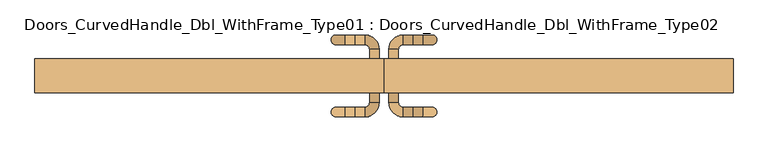
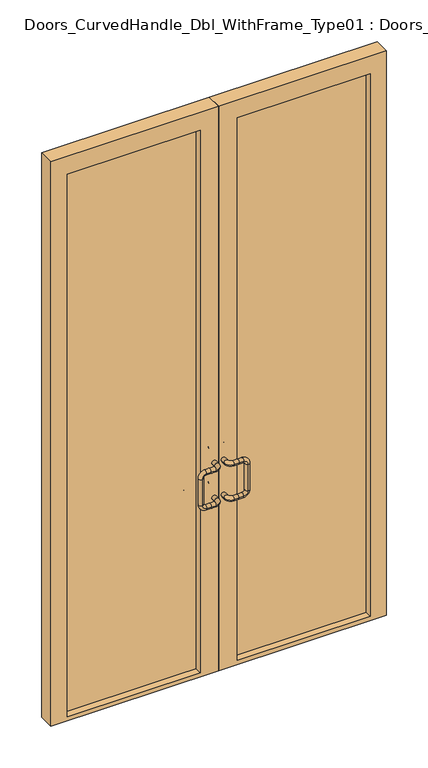
"""IFC4 building model written with IfcOpenShell, lengths in millimetres: door geometry, Doors_CurvedHandle_Dbl_WithFrame_Type01 : Doors_CurvedHandle_Dbl_WithFrame_Type02."""

from ifc_helpers import new_model, si_unit, point, frame, origin, place, context, project, spatial, polyline, circle_curve, ellipse_curve, trimmed, outline, extrude, source, transform, mapped, element, save
from ifc_brep_helpers import plane_surface, cylinder_surface, revolved_surface, advanced_brep


def doors_curvedhandle_dbl_withframe_type01_doors_curvedhandle_563f8bde(model_context):
    return source(origin(), model_context, "Body", "SolidModel", [
        advanced_brep(
        [(-38.1, 12.7, 1219.2), (-12.7, 12.7, 1219.2), (-12.7, 38.1, 1219.2), (-38.1, 38.1, 1219.2), (-50.8, 76.2, 1219.2), (-76.2, 76.2, 1219.2), (-76.2, 50.8, 1219.2), (-50.8, 50.8, 1219.2), (-101.6, 76.2, 1219.2), (-101.6, 50.8, 1219.2), (-127.0, 76.2, 1193.8), (-127.0, 50.8, 1193.8), (-127.0, 76.2, 1041.4), (-127.0, 50.8, 1041.4), (-101.6, 76.2, 1016.0), (-101.6, 50.8, 1016.0), (-76.2, 76.2, 1016.0), (-76.2, 50.8, 1016.0), (-38.1, 12.7, 1016.0), (-12.7, 12.7, 1016.0), (-12.7, 38.1, 1016.0), (-38.1, 38.1, 1016.0), (-50.8, 76.2, 1016.0), (-50.8, 50.8, 1016.0)],
        [
            (0, 1, circle_curve(frame((-25.4, 12.7, 1219.2), z_axis=(0.0, -1.0, 0.0), x_axis=(1.0, 0.0, 0.0)), 12.7)),
            (1, 0, circle_curve(frame((-25.4, 12.7, 1219.2), z_axis=(0.0, -1.0, 0.0), x_axis=(1.0, 0.0, 0.0)), 12.7)),
            (1, 2),
            (2, 3, circle_curve(frame((-25.4, 38.1, 1219.2), z_axis=(0.0, -1.0, 0.0), x_axis=(1.0, 0.0, 0.0)), 12.7)),
            (3, 0),
            (3, 2, circle_curve(frame((-25.4, 38.1, 1219.2), z_axis=(0.0, -1.0, 0.0), x_axis=(1.0, 0.0, 0.0)), 12.7)),
            (4, 5),
            (5, 6, circle_curve(frame((-76.2, 63.5, 1219.2), z_axis=(1.0, 0.0, 0.0), x_axis=(0.0, 1.0, 0.0)), 12.7)),
            (6, 7),
            (7, 4, circle_curve(frame((-50.8, 63.5, 1219.2), z_axis=(-1.0, 0.0, 0.0), x_axis=(0.0, 1.0, 0.0)), 12.7)),
            (6, 5, circle_curve(frame((-76.2, 63.5, 1219.2), z_axis=(1.0, 0.0, 0.0), x_axis=(0.0, 1.0, 0.0)), 12.7)),
            (4, 7, circle_curve(frame((-50.8, 63.5, 1219.2), z_axis=(-1.0, 0.0, 0.0), x_axis=(0.0, 1.0, 0.0)), 12.7)),
            (2, 4, circle_curve(frame((-50.8, 38.1, 1219.2), z_axis=(0.0, 0.0, 1.0), x_axis=(1.0, 0.0, 0.0)), 38.1)),
            (7, 3, circle_curve(frame((-50.8, 38.1, 1219.2), z_axis=(0.0, 0.0, -1.0), x_axis=(1.0, 0.0, 0.0)), 12.7)),
            (5, 8),
            (8, 9, circle_curve(frame((-101.6, 63.5, 1219.2), z_axis=(1.0, 0.0, 0.0), x_axis=(0.0, 1.0, 0.0)), 12.7)),
            (9, 6),
            (9, 8, circle_curve(frame((-101.6, 63.5, 1219.2), z_axis=(1.0, 0.0, 0.0), x_axis=(0.0, 1.0, 0.0)), 12.7)),
            (8, 10, circle_curve(frame((-101.6, 76.2, 1193.8), z_axis=(0.0, -1.0, 0.0), x_axis=(0.0, 0.0, 1.0)), 25.4)),
            (10, 11, circle_curve(frame((-127.0, 63.5, 1193.8), z_axis=(0.0, 0.0, 1.0), x_axis=(0.0, 1.0, 0.0)), 12.7)),
            (11, 9, circle_curve(frame((-101.6, 50.8, 1193.8), z_axis=(0.0, 1.0, 0.0), x_axis=(0.0, 0.0, 1.0)), 25.4)),
            (11, 10, circle_curve(frame((-127.0, 63.5, 1193.8), z_axis=(0.0, 0.0, 1.0), x_axis=(0.0, 1.0, 0.0)), 12.7)),
            (10, 12),
            (12, 13, circle_curve(frame((-127.0, 63.5, 1041.4), z_axis=(0.0, 0.0, 1.0), x_axis=(0.0, 1.0, 0.0)), 12.7)),
            (13, 11),
            (13, 12, circle_curve(frame((-127.0, 63.5, 1041.4), z_axis=(0.0, 0.0, 1.0), x_axis=(0.0, 1.0, 0.0)), 12.7)),
            (12, 14, circle_curve(frame((-101.6, 76.2, 1041.4), z_axis=(0.0, -1.0, 0.0), x_axis=(-1.0, 0.0, 0.0)), 25.4)),
            (14, 15, circle_curve(frame((-101.6, 63.5, 1016.0), z_axis=(-1.0, 0.0, 0.0), x_axis=(0.0, 1.0, 0.0)), 12.7)),
            (15, 13, circle_curve(frame((-101.6, 50.8, 1041.4), z_axis=(0.0, 1.0, 0.0), x_axis=(-1.0, 0.0, 0.0)), 25.4)),
            (15, 14, circle_curve(frame((-101.6, 63.5, 1016.0), z_axis=(-1.0, 0.0, 0.0), x_axis=(0.0, 1.0, 0.0)), 12.7)),
            (14, 16),
            (16, 17, circle_curve(frame((-76.2, 63.5, 1016.0), z_axis=(-1.0, 0.0, 0.0), x_axis=(0.0, 1.0, 0.0)), 12.7)),
            (17, 15),
            (17, 16, circle_curve(frame((-76.2, 63.5, 1016.0), z_axis=(-1.0, 0.0, 0.0), x_axis=(0.0, 1.0, 0.0)), 12.7)),
            (18, 19, circle_curve(frame((-25.4, 12.7, 1016.0), z_axis=(0.0, -1.0, 0.0), x_axis=(1.0, 0.0, 0.0)), 12.7)),
            (19, 18, circle_curve(frame((-25.4, 12.7, 1016.0), z_axis=(0.0, -1.0, 0.0), x_axis=(1.0, 0.0, 0.0)), 12.7)),
            (19, 20),
            (20, 21, circle_curve(frame((-25.4, 38.1, 1016.0), z_axis=(0.0, -1.0, 0.0), x_axis=(1.0, 0.0, 0.0)), 12.7)),
            (21, 18),
            (21, 20, circle_curve(frame((-25.4, 38.1, 1016.0), z_axis=(0.0, -1.0, 0.0), x_axis=(1.0, 0.0, 0.0)), 12.7)),
            (22, 16),
            (17, 23),
            (23, 22, circle_curve(frame((-50.8, 63.5, 1016.0), z_axis=(-1.0, 0.0, 0.0), x_axis=(0.0, 1.0, 0.0)), 12.7)),
            (22, 23, circle_curve(frame((-50.8, 63.5, 1016.0), z_axis=(-1.0, 0.0, 0.0), x_axis=(0.0, 1.0, 0.0)), 12.7)),
            (20, 22, circle_curve(frame((-50.8, 38.1, 1016.0), z_axis=(0.0, 0.0, 1.0), x_axis=(1.0, 0.0, 0.0)), 38.1)),
            (23, 21, circle_curve(frame((-50.8, 38.1, 1016.0), z_axis=(0.0, 0.0, -1.0), x_axis=(1.0, 0.0, 0.0)), 12.7)),
        ],
        [
            plane_surface(frame((-25.4, 12.7, 1276.2853236), z_axis=(0.0, -1.0, 0.0), x_axis=(0.0, 0.0, 1.0))),
            cylinder_surface(frame((-25.4, 12.7, 1219.2), z_axis=(0.0, -1.0, 0.0), x_axis=(1.0, 0.0, 0.0)), 12.7),
            cylinder_surface(frame((-50.8, 63.5, 1219.2), z_axis=(1.0, 0.0, 0.0), x_axis=(0.0, 1.0, 0.0)), 12.7),
            revolved_surface(trimmed(ellipse_curve(frame((-25.4, 38.1, 1219.2), z_axis=(0.0, 1.0, 0.0), x_axis=(1.0, 0.0, 0.0)), 12.7, 12.7), [point((-38.1, 38.1, 1219.2))], [point((-12.7, 38.1, 1219.2))], True, "CARTESIAN"), (-50.8, 38.1, 1276.2853236), (0.0, 0.0, -1.0)),
            revolved_surface(trimmed(ellipse_curve(frame((-25.4, 38.1, 1219.2), z_axis=(0.0, 1.0, 0.0), x_axis=(1.0, 0.0, 0.0)), 12.7, 12.7), [point((-12.7, 38.1, 1219.2))], [point((-38.1, 38.1, 1219.2))], True, "CARTESIAN"), (-50.8, 38.1, 1276.2853236), (0.0, 0.0, -1.0)),
            cylinder_surface(frame((-76.2, 63.5, 1219.2), z_axis=(1.0, 0.0, 0.0), x_axis=(0.0, 1.0, 0.0)), 12.7),
            revolved_surface(trimmed(ellipse_curve(frame((-101.6, 63.5, 1219.2), z_axis=(-1.0, 0.0, 0.0), x_axis=(0.0, 1.0, 0.0)), 12.7, 12.7), [point((-101.6, 50.8, 1219.2))], [point((-101.6, 76.2, 1219.2))], True, "CARTESIAN"), (-101.6, 63.5, 1193.8), (0.0, 1.0, 0.0)),
            revolved_surface(trimmed(ellipse_curve(frame((-101.6, 63.5, 1219.2), z_axis=(-1.0, 0.0, 0.0), x_axis=(0.0, 1.0, 0.0)), 12.7, 12.7), [point((-101.6, 76.2, 1219.2))], [point((-101.6, 50.8, 1219.2))], True, "CARTESIAN"), (-101.6, 63.5, 1193.8), (0.0, 1.0, 0.0)),
            cylinder_surface(frame((-127.0, 63.5, 1193.8), z_axis=(0.0, 0.0, 1.0), x_axis=(0.0, 1.0, 0.0)), 12.7),
            revolved_surface(trimmed(ellipse_curve(frame((-127.0, 63.5, 1041.4), z_axis=(0.0, 0.0, -1.0), x_axis=(0.0, 1.0, 0.0)), 12.7, 12.7), [point((-127.0, 50.8, 1041.4))], [point((-127.0, 76.2, 1041.4))], True, "CARTESIAN"), (-101.6, 63.5, 1041.4), (0.0, 1.0, 0.0)),
            revolved_surface(trimmed(ellipse_curve(frame((-127.0, 63.5, 1041.4), z_axis=(0.0, 0.0, -1.0), x_axis=(0.0, 1.0, 0.0)), 12.7, 12.7), [point((-127.0, 76.2, 1041.4))], [point((-127.0, 50.8, 1041.4))], True, "CARTESIAN"), (-101.6, 63.5, 1041.4), (0.0, 1.0, 0.0)),
            cylinder_surface(frame((-101.6, 63.5, 1016.0), z_axis=(-1.0, 0.0, 0.0), x_axis=(0.0, 1.0, 0.0)), 12.7),
            plane_surface(frame((-25.4, 12.7, 1016.0), z_axis=(0.0, -1.0, 0.0), x_axis=(0.0, 0.0, 1.0))),
            cylinder_surface(frame((-25.4, 12.7, 1016.0), z_axis=(0.0, -1.0, 0.0), x_axis=(1.0, 0.0, 0.0)), 12.7),
            cylinder_surface(frame((-50.8, 63.5, 1016.0), z_axis=(1.0, 0.0, 0.0), x_axis=(0.0, 1.0, 0.0)), 12.7),
            revolved_surface(trimmed(ellipse_curve(frame((-25.4, 38.1, 1016.0), z_axis=(0.0, 1.0, 0.0), x_axis=(1.0, 0.0, 0.0)), 12.7, 12.7), [point((-38.1, 38.1, 1016.0))], [point((-12.7, 38.1, 1016.0))], True, "CARTESIAN"), (-50.8, 38.1, 1016.0), (0.0, 0.0, -1.0)),
            revolved_surface(trimmed(ellipse_curve(frame((-25.4, 38.1, 1016.0), z_axis=(0.0, 1.0, 0.0), x_axis=(1.0, 0.0, 0.0)), 12.7, 12.7), [point((-12.7, 38.1, 1016.0))], [point((-38.1, 38.1, 1016.0))], True, "CARTESIAN"), (-50.8, 38.1, 1016.0), (0.0, 0.0, -1.0)),
        ],
        [
            (0, [[1, 2]]),
            (1, [[3, 4, 5, -2]]),
            (1, [[-5, 6, -3, -1]]),
            (2, [[7, 8, 9, 10]]),
            (2, [[11, -7, 12, -9]]),
            (3, [[13, -10, 14, -4]]),
            (4, [[-14, -12, -13, -6]]),
            (5, [[-8, 15, 16, 17]]),
            (5, [[18, -15, -11, -17]]),
            (6, [[19, 20, 21, -16]]),
            (7, [[-21, 22, -19, -18]]),
            (8, [[23, 24, 25, -20]]),
            (8, [[-25, 26, -23, -22]]),
            (9, [[27, 28, 29, -24]]),
            (10, [[-29, 30, -27, -26]]),
            (11, [[31, 32, 33, -28]]),
            (11, [[-33, 34, -31, -30]]),
            (12, [[35, 36]]),
            (13, [[37, 38, 39, -36]]),
            (13, [[-39, 40, -37, -35]]),
            (14, [[41, -34, 42, 43]]),
            (14, [[-32, -41, 44, -42]]),
            (15, [[45, -43, 46, -38]]),
            (16, [[-46, -44, -45, -40]]),
        ],
    ),
        advanced_brep(
        [(38.1, 12.7, 1219.2), (12.7, 12.7, 1219.2), (38.1, 38.1, 1219.2), (12.7, 38.1, 1219.2), (50.8, 76.2, 1219.2), (50.8, 50.8, 1219.2), (76.2, 50.8, 1219.2), (76.2, 76.2, 1219.2), (101.6, 50.8, 1219.2), (101.6, 76.2, 1219.2), (127.0, 50.8, 1193.8), (127.0, 76.2, 1193.8), (127.0, 50.8, 1041.4), (127.0, 76.2, 1041.4), (101.6, 50.8, 1016.0), (101.6, 76.2, 1016.0), (76.2, 50.8, 1016.0), (76.2, 76.2, 1016.0), (38.1, 12.7, 1016.0), (12.7, 12.7, 1016.0), (38.1, 38.1, 1016.0), (12.7, 38.1, 1016.0), (50.8, 76.2, 1016.0), (50.8, 50.8, 1016.0)],
        [
            (0, 1, circle_curve(frame((25.4, 12.7, 1219.2), z_axis=(0.0, -1.0, 0.0), x_axis=(-1.0, 0.0, 0.0)), 12.7)),
            (1, 0, circle_curve(frame((25.4, 12.7, 1219.2), z_axis=(0.0, -1.0, 0.0), x_axis=(-1.0, 0.0, 0.0)), 12.7)),
            (0, 2),
            (2, 3, circle_curve(frame((25.4, 38.1, 1219.2), z_axis=(0.0, -1.0, 0.0), x_axis=(-1.0, 0.0, 0.0)), 12.7)),
            (3, 1),
            (3, 2, circle_curve(frame((25.4, 38.1, 1219.2), z_axis=(0.0, -1.0, 0.0), x_axis=(-1.0, 0.0, 0.0)), 12.7)),
            (4, 5, circle_curve(frame((50.8, 63.5, 1219.2), z_axis=(1.0, 0.0, 0.0), x_axis=(0.0, 1.0, 0.0)), 12.7)),
            (5, 6),
            (6, 7, circle_curve(frame((76.2, 63.5, 1219.2), z_axis=(-1.0, 0.0, 0.0), x_axis=(0.0, 1.0, 0.0)), 12.7)),
            (7, 4),
            (5, 4, circle_curve(frame((50.8, 63.5, 1219.2), z_axis=(1.0, 0.0, 0.0), x_axis=(0.0, 1.0, 0.0)), 12.7)),
            (7, 6, circle_curve(frame((76.2, 63.5, 1219.2), z_axis=(-1.0, 0.0, 0.0), x_axis=(0.0, 1.0, 0.0)), 12.7)),
            (2, 5, circle_curve(frame((50.8, 38.1, 1219.2), z_axis=(0.0, 0.0, -1.0), x_axis=(-1.0, 0.0, 0.0)), 12.7)),
            (4, 3, circle_curve(frame((50.8, 38.1, 1219.2), z_axis=(0.0, 0.0, 1.0), x_axis=(-1.0, 0.0, 0.0)), 38.1)),
            (6, 8),
            (8, 9, circle_curve(frame((101.6, 63.5, 1219.2), z_axis=(-1.0, 0.0, 0.0), x_axis=(0.0, 1.0, 0.0)), 12.7)),
            (9, 7),
            (9, 8, circle_curve(frame((101.6, 63.5, 1219.2), z_axis=(-1.0, 0.0, 0.0), x_axis=(0.0, 1.0, 0.0)), 12.7)),
            (8, 10, circle_curve(frame((101.6, 50.8, 1193.8), z_axis=(0.0, 1.0, 0.0), x_axis=(0.0, 0.0, 1.0)), 25.4)),
            (10, 11, circle_curve(frame((127.0, 63.5, 1193.8), z_axis=(0.0, 0.0, 1.0), x_axis=(0.0, 1.0, 0.0)), 12.7)),
            (11, 9, circle_curve(frame((101.6, 76.2, 1193.8), z_axis=(0.0, -1.0, 0.0), x_axis=(0.0, 0.0, 1.0)), 25.4)),
            (11, 10, circle_curve(frame((127.0, 63.5, 1193.8), z_axis=(0.0, 0.0, 1.0), x_axis=(0.0, 1.0, 0.0)), 12.7)),
            (10, 12),
            (12, 13, circle_curve(frame((127.0, 63.5, 1041.4), z_axis=(0.0, 0.0, 1.0), x_axis=(0.0, 1.0, 0.0)), 12.7)),
            (13, 11),
            (13, 12, circle_curve(frame((127.0, 63.5, 1041.4), z_axis=(0.0, 0.0, 1.0), x_axis=(0.0, 1.0, 0.0)), 12.7)),
            (12, 14, circle_curve(frame((101.6, 50.8, 1041.4), z_axis=(0.0, 1.0, 0.0), x_axis=(1.0, 0.0, 0.0)), 25.4)),
            (14, 15, circle_curve(frame((101.6, 63.5, 1016.0), z_axis=(1.0, 0.0, 0.0), x_axis=(0.0, 1.0, 0.0)), 12.7)),
            (15, 13, circle_curve(frame((101.6, 76.2, 1041.4), z_axis=(0.0, -1.0, 0.0), x_axis=(1.0, 0.0, 0.0)), 25.4)),
            (15, 14, circle_curve(frame((101.6, 63.5, 1016.0), z_axis=(1.0, 0.0, 0.0), x_axis=(0.0, 1.0, 0.0)), 12.7)),
            (14, 16),
            (16, 17, circle_curve(frame((76.2, 63.5, 1016.0), z_axis=(1.0, 0.0, 0.0), x_axis=(0.0, 1.0, 0.0)), 12.7)),
            (17, 15),
            (17, 16, circle_curve(frame((76.2, 63.5, 1016.0), z_axis=(1.0, 0.0, 0.0), x_axis=(0.0, 1.0, 0.0)), 12.7)),
            (18, 19, circle_curve(frame((25.4, 12.7, 1016.0), z_axis=(0.0, -1.0, 0.0), x_axis=(-1.0, 0.0, 0.0)), 12.7)),
            (19, 18, circle_curve(frame((25.4, 12.7, 1016.0), z_axis=(0.0, -1.0, 0.0), x_axis=(-1.0, 0.0, 0.0)), 12.7)),
            (18, 20),
            (20, 21, circle_curve(frame((25.4, 38.1, 1016.0), z_axis=(0.0, -1.0, 0.0), x_axis=(-1.0, 0.0, 0.0)), 12.7)),
            (21, 19),
            (21, 20, circle_curve(frame((25.4, 38.1, 1016.0), z_axis=(0.0, -1.0, 0.0), x_axis=(-1.0, 0.0, 0.0)), 12.7)),
            (22, 23, circle_curve(frame((50.8, 63.5, 1016.0), z_axis=(1.0, 0.0, 0.0), x_axis=(0.0, 1.0, 0.0)), 12.7)),
            (23, 16),
            (17, 22),
            (23, 22, circle_curve(frame((50.8, 63.5, 1016.0), z_axis=(1.0, 0.0, 0.0), x_axis=(0.0, 1.0, 0.0)), 12.7)),
            (20, 23, circle_curve(frame((50.8, 38.1, 1016.0), z_axis=(0.0, 0.0, -1.0), x_axis=(-1.0, 0.0, 0.0)), 12.7)),
            (22, 21, circle_curve(frame((50.8, 38.1, 1016.0), z_axis=(0.0, 0.0, 1.0), x_axis=(-1.0, 0.0, 0.0)), 38.1)),
        ],
        [
            plane_surface(frame((25.4, 12.7, 1276.2853236), z_axis=(0.0, -1.0, 0.0), x_axis=(0.0, 0.0, 1.0))),
            cylinder_surface(frame((25.4, 12.7, 1219.2), z_axis=(0.0, -1.0, 0.0), x_axis=(-1.0, 0.0, 0.0)), 12.7),
            cylinder_surface(frame((50.8, 63.5, 1219.2), z_axis=(-1.0, 0.0, 0.0), x_axis=(0.0, 1.0, 0.0)), 12.7),
            revolved_surface(trimmed(ellipse_curve(frame((25.4, 38.1, 1219.2), z_axis=(0.0, -1.0, 0.0), x_axis=(-1.0, 0.0, 0.0)), 12.7, 12.7), [point((38.1, 38.1, 1219.2))], [point((12.7, 38.1, 1219.2))], True, "CARTESIAN"), (50.8, 38.1, 1276.2853236), (0.0, 0.0, -1.0)),
            revolved_surface(trimmed(ellipse_curve(frame((25.4, 38.1, 1219.2), z_axis=(0.0, -1.0, 0.0), x_axis=(-1.0, 0.0, 0.0)), 12.7, 12.7), [point((12.7, 38.1, 1219.2))], [point((38.1, 38.1, 1219.2))], True, "CARTESIAN"), (50.8, 38.1, 1276.2853236), (0.0, 0.0, -1.0)),
            cylinder_surface(frame((76.2, 63.5, 1219.2), z_axis=(-1.0, 0.0, 0.0), x_axis=(0.0, 1.0, 0.0)), 12.7),
            revolved_surface(trimmed(ellipse_curve(frame((101.6, 63.5, 1219.2), z_axis=(-1.0, 0.0, 0.0), x_axis=(0.0, 1.0, 0.0)), 12.7, 12.7), [point((101.6, 50.8, 1219.2))], [point((101.6, 76.2, 1219.2))], True, "CARTESIAN"), (101.6, 63.5, 1193.8), (0.0, 1.0, 0.0)),
            revolved_surface(trimmed(ellipse_curve(frame((101.6, 63.5, 1219.2), z_axis=(-1.0, 0.0, 0.0), x_axis=(0.0, 1.0, 0.0)), 12.7, 12.7), [point((101.6, 76.2, 1219.2))], [point((101.6, 50.8, 1219.2))], True, "CARTESIAN"), (101.6, 63.5, 1193.8), (0.0, 1.0, 0.0)),
            cylinder_surface(frame((127.0, 63.5, 1193.8), z_axis=(0.0, 0.0, 1.0), x_axis=(0.0, 1.0, 0.0)), 12.7),
            revolved_surface(trimmed(ellipse_curve(frame((127.0, 63.5, 1041.4), z_axis=(0.0, 0.0, 1.0), x_axis=(0.0, 1.0, 0.0)), 12.7, 12.7), [point((127.0, 50.8, 1041.4))], [point((127.0, 76.2, 1041.4))], True, "CARTESIAN"), (101.6, 63.5, 1041.4), (0.0, 1.0, 0.0)),
            revolved_surface(trimmed(ellipse_curve(frame((127.0, 63.5, 1041.4), z_axis=(0.0, 0.0, 1.0), x_axis=(0.0, 1.0, 0.0)), 12.7, 12.7), [point((127.0, 76.2, 1041.4))], [point((127.0, 50.8, 1041.4))], True, "CARTESIAN"), (101.6, 63.5, 1041.4), (0.0, 1.0, 0.0)),
            cylinder_surface(frame((101.6, 63.5, 1016.0), z_axis=(1.0, 0.0, 0.0), x_axis=(0.0, 1.0, 0.0)), 12.7),
            plane_surface(frame((25.4, 12.7, 1016.0), z_axis=(0.0, -1.0, 0.0), x_axis=(0.0, 0.0, 1.0))),
            cylinder_surface(frame((25.4, 12.7, 1016.0), z_axis=(0.0, -1.0, 0.0), x_axis=(-1.0, 0.0, 0.0)), 12.7),
            cylinder_surface(frame((50.8, 63.5, 1016.0), z_axis=(-1.0, 0.0, 0.0), x_axis=(0.0, 1.0, 0.0)), 12.7),
            revolved_surface(trimmed(ellipse_curve(frame((25.4, 38.1, 1016.0), z_axis=(0.0, -1.0, 0.0), x_axis=(-1.0, 0.0, 0.0)), 12.7, 12.7), [point((38.1, 38.1, 1016.0))], [point((12.7, 38.1, 1016.0))], True, "CARTESIAN"), (50.8, 38.1, 1016.0), (0.0, 0.0, -1.0)),
            revolved_surface(trimmed(ellipse_curve(frame((25.4, 38.1, 1016.0), z_axis=(0.0, -1.0, 0.0), x_axis=(-1.0, 0.0, 0.0)), 12.7, 12.7), [point((12.7, 38.1, 1016.0))], [point((38.1, 38.1, 1016.0))], True, "CARTESIAN"), (50.8, 38.1, 1016.0), (0.0, 0.0, -1.0)),
        ],
        [
            (0, [[1, 2]]),
            (1, [[-1, 3, 4, 5]]),
            (1, [[-2, -5, 6, -3]]),
            (2, [[7, 8, 9, 10]]),
            (2, [[-8, 11, -10, 12]]),
            (3, [[-4, 13, -7, 14]]),
            (4, [[-6, -14, -11, -13]]),
            (5, [[15, 16, 17, -9]]),
            (5, [[-15, -12, -17, 18]]),
            (6, [[-16, 19, 20, 21]]),
            (7, [[-18, -21, 22, -19]]),
            (8, [[-20, 23, 24, 25]]),
            (8, [[-22, -25, 26, -23]]),
            (9, [[-24, 27, 28, 29]]),
            (10, [[-26, -29, 30, -27]]),
            (11, [[-28, 31, 32, 33]]),
            (11, [[-30, -33, 34, -31]]),
            (12, [[35, 36]]),
            (13, [[-35, 37, 38, 39]]),
            (13, [[-36, -39, 40, -37]]),
            (14, [[41, 42, -34, 43]]),
            (14, [[-42, 44, -43, -32]]),
            (15, [[-38, 45, -41, 46]]),
            (16, [[-40, -46, -44, -45]]),
        ],
    ),
        advanced_brep(
        [(-38.1, -76.2, 1219.2), (-12.7, -76.2, 1219.2), (-38.1, -101.6, 1219.2), (-12.7, -101.6, 1219.2), (-50.8, -139.7, 1219.2), (-50.8, -114.3, 1219.2), (-76.2, -114.3, 1219.2), (-76.2, -139.7, 1219.2), (-101.6, -114.3, 1219.2), (-101.6, -139.7, 1219.2), (-127.0, -114.3, 1193.8), (-127.0, -139.7, 1193.8), (-127.0, -114.3, 1041.4), (-127.0, -139.7, 1041.4), (-101.6, -114.3, 1016.0), (-101.6, -139.7, 1016.0), (-76.2, -114.3, 1016.0), (-76.2, -139.7, 1016.0), (-38.1, -76.2, 1016.0), (-12.7, -76.2, 1016.0), (-38.1, -101.6, 1016.0), (-12.7, -101.6, 1016.0), (-50.8, -139.7, 1016.0), (-50.8, -114.3, 1016.0)],
        [
            (0, 1, circle_curve(frame((-25.4, -76.2, 1219.2), z_axis=(0.0, 1.0, 0.0), x_axis=(1.0, 0.0, 0.0)), 12.7)),
            (1, 0, circle_curve(frame((-25.4, -76.2, 1219.2), z_axis=(0.0, 1.0, 0.0), x_axis=(1.0, 0.0, 0.0)), 12.7)),
            (0, 2),
            (2, 3, circle_curve(frame((-25.4, -101.6, 1219.2), z_axis=(0.0, 1.0, 0.0), x_axis=(1.0, 0.0, 0.0)), 12.7)),
            (3, 1),
            (3, 2, circle_curve(frame((-25.4, -101.6, 1219.2), z_axis=(0.0, 1.0, 0.0), x_axis=(1.0, 0.0, 0.0)), 12.7)),
            (4, 5, circle_curve(frame((-50.8, -127.0, 1219.2), z_axis=(-1.0, 0.0, 0.0), x_axis=(0.0, -1.0, 0.0)), 12.7)),
            (5, 6),
            (6, 7, circle_curve(frame((-76.2, -127.0, 1219.2), z_axis=(1.0, 0.0, 0.0), x_axis=(0.0, -1.0, 0.0)), 12.7)),
            (7, 4),
            (5, 4, circle_curve(frame((-50.8, -127.0, 1219.2), z_axis=(-1.0, 0.0, 0.0), x_axis=(0.0, -1.0, 0.0)), 12.7)),
            (7, 6, circle_curve(frame((-76.2, -127.0, 1219.2), z_axis=(1.0, 0.0, 0.0), x_axis=(0.0, -1.0, 0.0)), 12.7)),
            (2, 5, circle_curve(frame((-50.8, -101.6, 1219.2), z_axis=(0.0, 0.0, -1.0), x_axis=(1.0, 0.0, 0.0)), 12.7)),
            (4, 3, circle_curve(frame((-50.8, -101.6, 1219.2), z_axis=(0.0, 0.0, 1.0), x_axis=(1.0, 0.0, 0.0)), 38.1)),
            (6, 8),
            (8, 9, circle_curve(frame((-101.6, -127.0, 1219.2), z_axis=(1.0, 0.0, 0.0), x_axis=(0.0, -1.0, 0.0)), 12.7)),
            (9, 7),
            (9, 8, circle_curve(frame((-101.6, -127.0, 1219.2), z_axis=(1.0, 0.0, 0.0), x_axis=(0.0, -1.0, 0.0)), 12.7)),
            (8, 10, circle_curve(frame((-101.6, -114.3, 1193.8), z_axis=(0.0, -1.0, 0.0), x_axis=(0.0, 0.0, 1.0)), 25.4)),
            (10, 11, circle_curve(frame((-127.0, -127.0, 1193.8), z_axis=(0.0, 0.0, 1.0), x_axis=(0.0, -1.0, 0.0)), 12.7)),
            (11, 9, circle_curve(frame((-101.6, -139.7, 1193.8), z_axis=(0.0, 1.0, 0.0), x_axis=(0.0, 0.0, 1.0)), 25.4)),
            (11, 10, circle_curve(frame((-127.0, -127.0, 1193.8), z_axis=(0.0, 0.0, 1.0), x_axis=(0.0, -1.0, 0.0)), 12.7)),
            (10, 12),
            (12, 13, circle_curve(frame((-127.0, -127.0, 1041.4), z_axis=(0.0, 0.0, 1.0), x_axis=(0.0, -1.0, 0.0)), 12.7)),
            (13, 11),
            (13, 12, circle_curve(frame((-127.0, -127.0, 1041.4), z_axis=(0.0, 0.0, 1.0), x_axis=(0.0, -1.0, 0.0)), 12.7)),
            (12, 14, circle_curve(frame((-101.6, -114.3, 1041.4), z_axis=(0.0, -1.0, 0.0), x_axis=(-1.0, 0.0, 0.0)), 25.4)),
            (14, 15, circle_curve(frame((-101.6, -127.0, 1016.0), z_axis=(-1.0, 0.0, 0.0), x_axis=(0.0, -1.0, 0.0)), 12.7)),
            (15, 13, circle_curve(frame((-101.6, -139.7, 1041.4), z_axis=(0.0, 1.0, 0.0), x_axis=(-1.0, 0.0, 0.0)), 25.4)),
            (15, 14, circle_curve(frame((-101.6, -127.0, 1016.0), z_axis=(-1.0, 0.0, 0.0), x_axis=(0.0, -1.0, 0.0)), 12.7)),
            (14, 16),
            (16, 17, circle_curve(frame((-76.2, -127.0, 1016.0), z_axis=(-1.0, 0.0, 0.0), x_axis=(0.0, -1.0, 0.0)), 12.7)),
            (17, 15),
            (17, 16, circle_curve(frame((-76.2, -127.0, 1016.0), z_axis=(-1.0, 0.0, 0.0), x_axis=(0.0, -1.0, 0.0)), 12.7)),
            (18, 19, circle_curve(frame((-25.4, -76.2, 1016.0), z_axis=(0.0, 1.0, 0.0), x_axis=(1.0, 0.0, 0.0)), 12.7)),
            (19, 18, circle_curve(frame((-25.4, -76.2, 1016.0), z_axis=(0.0, 1.0, 0.0), x_axis=(1.0, 0.0, 0.0)), 12.7)),
            (18, 20),
            (20, 21, circle_curve(frame((-25.4, -101.6, 1016.0), z_axis=(0.0, 1.0, 0.0), x_axis=(1.0, 0.0, 0.0)), 12.7)),
            (21, 19),
            (21, 20, circle_curve(frame((-25.4, -101.6, 1016.0), z_axis=(0.0, 1.0, 0.0), x_axis=(1.0, 0.0, 0.0)), 12.7)),
            (22, 23, circle_curve(frame((-50.8, -127.0, 1016.0), z_axis=(-1.0, 0.0, 0.0), x_axis=(0.0, -1.0, 0.0)), 12.7)),
            (23, 16),
            (17, 22),
            (23, 22, circle_curve(frame((-50.8, -127.0, 1016.0), z_axis=(-1.0, 0.0, 0.0), x_axis=(0.0, -1.0, 0.0)), 12.7)),
            (20, 23, circle_curve(frame((-50.8, -101.6, 1016.0), z_axis=(0.0, 0.0, -1.0), x_axis=(1.0, 0.0, 0.0)), 12.7)),
            (22, 21, circle_curve(frame((-50.8, -101.6, 1016.0), z_axis=(0.0, 0.0, 1.0), x_axis=(1.0, 0.0, 0.0)), 38.1)),
        ],
        [
            plane_surface(frame((-25.4, -76.2, 1276.2853236), z_axis=(0.0, 1.0, 0.0), x_axis=(0.0, 0.0, 1.0))),
            cylinder_surface(frame((-25.4, -76.2, 1219.2), z_axis=(0.0, 1.0, 0.0), x_axis=(1.0, 0.0, 0.0)), 12.7),
            cylinder_surface(frame((-50.8, -127.0, 1219.2), z_axis=(1.0, 0.0, 0.0), x_axis=(0.0, -1.0, 0.0)), 12.7),
            revolved_surface(trimmed(ellipse_curve(frame((-25.4, -101.6, 1219.2), z_axis=(0.0, 1.0, 0.0), x_axis=(1.0, 0.0, 0.0)), 12.7, 12.7), [point((-38.1, -101.6, 1219.2))], [point((-12.7, -101.6, 1219.2))], True, "CARTESIAN"), (-50.8, -101.6, 1276.2853236), (0.0, 0.0, -1.0)),
            revolved_surface(trimmed(ellipse_curve(frame((-25.4, -101.6, 1219.2), z_axis=(0.0, 1.0, 0.0), x_axis=(1.0, 0.0, 0.0)), 12.7, 12.7), [point((-12.7, -101.6, 1219.2))], [point((-38.1, -101.6, 1219.2))], True, "CARTESIAN"), (-50.8, -101.6, 1276.2853236), (0.0, 0.0, -1.0)),
            cylinder_surface(frame((-76.2, -127.0, 1219.2), z_axis=(1.0, 0.0, 0.0), x_axis=(0.0, -1.0, 0.0)), 12.7),
            revolved_surface(trimmed(ellipse_curve(frame((-101.6, -127.0, 1219.2), z_axis=(1.0, 0.0, 0.0), x_axis=(0.0, -1.0, 0.0)), 12.7, 12.7), [point((-101.6, -114.3, 1219.2))], [point((-101.6, -139.7, 1219.2))], True, "CARTESIAN"), (-101.6, -127.0, 1193.8), (0.0, -1.0, 0.0)),
            revolved_surface(trimmed(ellipse_curve(frame((-101.6, -127.0, 1219.2), z_axis=(1.0, 0.0, 0.0), x_axis=(0.0, -1.0, 0.0)), 12.7, 12.7), [point((-101.6, -139.7, 1219.2))], [point((-101.6, -114.3, 1219.2))], True, "CARTESIAN"), (-101.6, -127.0, 1193.8), (0.0, -1.0, 0.0)),
            cylinder_surface(frame((-127.0, -127.0, 1193.8), z_axis=(0.0, 0.0, 1.0), x_axis=(0.0, -1.0, 0.0)), 12.7),
            revolved_surface(trimmed(ellipse_curve(frame((-127.0, -127.0, 1041.4), z_axis=(0.0, 0.0, 1.0), x_axis=(0.0, -1.0, 0.0)), 12.7, 12.7), [point((-127.0, -114.3, 1041.4))], [point((-127.0, -139.7, 1041.4))], True, "CARTESIAN"), (-101.6, -127.0, 1041.4), (0.0, -1.0, 0.0)),
            revolved_surface(trimmed(ellipse_curve(frame((-127.0, -127.0, 1041.4), z_axis=(0.0, 0.0, 1.0), x_axis=(0.0, -1.0, 0.0)), 12.7, 12.7), [point((-127.0, -139.7, 1041.4))], [point((-127.0, -114.3, 1041.4))], True, "CARTESIAN"), (-101.6, -127.0, 1041.4), (0.0, -1.0, 0.0)),
            cylinder_surface(frame((-101.6, -127.0, 1016.0), z_axis=(-1.0, 0.0, 0.0), x_axis=(0.0, -1.0, 0.0)), 12.7),
            plane_surface(frame((-25.4, -76.2, 1016.0), z_axis=(0.0, 1.0, 0.0), x_axis=(0.0, 0.0, 1.0))),
            cylinder_surface(frame((-25.4, -76.2, 1016.0), z_axis=(0.0, 1.0, 0.0), x_axis=(1.0, 0.0, 0.0)), 12.7),
            cylinder_surface(frame((-50.8, -127.0, 1016.0), z_axis=(1.0, 0.0, 0.0), x_axis=(0.0, -1.0, 0.0)), 12.7),
            revolved_surface(trimmed(ellipse_curve(frame((-25.4, -101.6, 1016.0), z_axis=(0.0, 1.0, 0.0), x_axis=(1.0, 0.0, 0.0)), 12.7, 12.7), [point((-38.1, -101.6, 1016.0))], [point((-12.7, -101.6, 1016.0))], True, "CARTESIAN"), (-50.8, -101.6, 1016.0), (0.0, 0.0, -1.0)),
            revolved_surface(trimmed(ellipse_curve(frame((-25.4, -101.6, 1016.0), z_axis=(0.0, 1.0, 0.0), x_axis=(1.0, 0.0, 0.0)), 12.7, 12.7), [point((-12.7, -101.6, 1016.0))], [point((-38.1, -101.6, 1016.0))], True, "CARTESIAN"), (-50.8, -101.6, 1016.0), (0.0, 0.0, -1.0)),
        ],
        [
            (0, [[1, 2]]),
            (1, [[-1, 3, 4, 5]]),
            (1, [[-2, -5, 6, -3]]),
            (2, [[7, 8, 9, 10]]),
            (2, [[-8, 11, -10, 12]]),
            (3, [[-4, 13, -7, 14]]),
            (4, [[-6, -14, -11, -13]]),
            (5, [[15, 16, 17, -9]]),
            (5, [[-15, -12, -17, 18]]),
            (6, [[-16, 19, 20, 21]]),
            (7, [[-18, -21, 22, -19]]),
            (8, [[-20, 23, 24, 25]]),
            (8, [[-22, -25, 26, -23]]),
            (9, [[-24, 27, 28, 29]]),
            (10, [[-26, -29, 30, -27]]),
            (11, [[-28, 31, 32, 33]]),
            (11, [[-30, -33, 34, -31]]),
            (12, [[35, 36]]),
            (13, [[-35, 37, 38, 39]]),
            (13, [[-36, -39, 40, -37]]),
            (14, [[41, 42, -34, 43]]),
            (14, [[-42, 44, -43, -32]]),
            (15, [[-38, 45, -41, 46]]),
            (16, [[-40, -46, -44, -45]]),
        ],
    ),
        advanced_brep(
        [(38.1, -76.2, 1219.2), (12.7, -76.2, 1219.2), (12.7, -101.6, 1219.2), (38.1, -101.6, 1219.2), (50.8, -139.7, 1219.2), (76.2, -139.7, 1219.2), (76.2, -114.3, 1219.2), (50.8, -114.3, 1219.2), (101.6, -139.7, 1219.2), (101.6, -114.3, 1219.2), (127.0, -139.7, 1193.8), (127.0, -114.3, 1193.8), (127.0, -139.7, 1041.4), (127.0, -114.3, 1041.4), (101.6, -139.7, 1016.0), (101.6, -114.3, 1016.0), (76.2, -139.7, 1016.0), (76.2, -114.3, 1016.0), (38.1, -76.2, 1016.0), (12.7, -76.2, 1016.0), (12.7, -101.6, 1016.0), (38.1, -101.6, 1016.0), (50.8, -139.7, 1016.0), (50.8, -114.3, 1016.0)],
        [
            (0, 1, circle_curve(frame((25.4, -76.2, 1219.2), z_axis=(0.0, 1.0, 0.0), x_axis=(-1.0, 0.0, 0.0)), 12.7)),
            (1, 0, circle_curve(frame((25.4, -76.2, 1219.2), z_axis=(0.0, 1.0, 0.0), x_axis=(-1.0, 0.0, 0.0)), 12.7)),
            (1, 2),
            (2, 3, circle_curve(frame((25.4, -101.6, 1219.2), z_axis=(0.0, 1.0, 0.0), x_axis=(-1.0, 0.0, 0.0)), 12.7)),
            (3, 0),
            (3, 2, circle_curve(frame((25.4, -101.6, 1219.2), z_axis=(0.0, 1.0, 0.0), x_axis=(-1.0, 0.0, 0.0)), 12.7)),
            (4, 5),
            (5, 6, circle_curve(frame((76.2, -127.0, 1219.2), z_axis=(-1.0, 0.0, 0.0), x_axis=(0.0, -1.0, 0.0)), 12.7)),
            (6, 7),
            (7, 4, circle_curve(frame((50.8, -127.0, 1219.2), z_axis=(1.0, 0.0, 0.0), x_axis=(0.0, -1.0, 0.0)), 12.7)),
            (6, 5, circle_curve(frame((76.2, -127.0, 1219.2), z_axis=(-1.0, 0.0, 0.0), x_axis=(0.0, -1.0, 0.0)), 12.7)),
            (4, 7, circle_curve(frame((50.8, -127.0, 1219.2), z_axis=(1.0, 0.0, 0.0), x_axis=(0.0, -1.0, 0.0)), 12.7)),
            (2, 4, circle_curve(frame((50.8, -101.6, 1219.2), z_axis=(0.0, 0.0, 1.0), x_axis=(-1.0, 0.0, 0.0)), 38.1)),
            (7, 3, circle_curve(frame((50.8, -101.6, 1219.2), z_axis=(0.0, 0.0, -1.0), x_axis=(-1.0, 0.0, 0.0)), 12.7)),
            (5, 8),
            (8, 9, circle_curve(frame((101.6, -127.0, 1219.2), z_axis=(-1.0, 0.0, 0.0), x_axis=(0.0, -1.0, 0.0)), 12.7)),
            (9, 6),
            (9, 8, circle_curve(frame((101.6, -127.0, 1219.2), z_axis=(-1.0, 0.0, 0.0), x_axis=(0.0, -1.0, 0.0)), 12.7)),
            (8, 10, circle_curve(frame((101.6, -139.7, 1193.8), z_axis=(0.0, 1.0, 0.0), x_axis=(0.0, 0.0, 1.0)), 25.4)),
            (10, 11, circle_curve(frame((127.0, -127.0, 1193.8), z_axis=(0.0, 0.0, 1.0), x_axis=(0.0, -1.0, 0.0)), 12.7)),
            (11, 9, circle_curve(frame((101.6, -114.3, 1193.8), z_axis=(0.0, -1.0, 0.0), x_axis=(0.0, 0.0, 1.0)), 25.4)),
            (11, 10, circle_curve(frame((127.0, -127.0, 1193.8), z_axis=(0.0, 0.0, 1.0), x_axis=(0.0, -1.0, 0.0)), 12.7)),
            (10, 12),
            (12, 13, circle_curve(frame((127.0, -127.0, 1041.4), z_axis=(0.0, 0.0, 1.0), x_axis=(0.0, -1.0, 0.0)), 12.7)),
            (13, 11),
            (13, 12, circle_curve(frame((127.0, -127.0, 1041.4), z_axis=(0.0, 0.0, 1.0), x_axis=(0.0, -1.0, 0.0)), 12.7)),
            (12, 14, circle_curve(frame((101.6, -139.7, 1041.4), z_axis=(0.0, 1.0, 0.0), x_axis=(1.0, 0.0, 0.0)), 25.4)),
            (14, 15, circle_curve(frame((101.6, -127.0, 1016.0), z_axis=(1.0, 0.0, 0.0), x_axis=(0.0, -1.0, 0.0)), 12.7)),
            (15, 13, circle_curve(frame((101.6, -114.3, 1041.4), z_axis=(0.0, -1.0, 0.0), x_axis=(1.0, 0.0, 0.0)), 25.4)),
            (15, 14, circle_curve(frame((101.6, -127.0, 1016.0), z_axis=(1.0, 0.0, 0.0), x_axis=(0.0, -1.0, 0.0)), 12.7)),
            (14, 16),
            (16, 17, circle_curve(frame((76.2, -127.0, 1016.0), z_axis=(1.0, 0.0, 0.0), x_axis=(0.0, -1.0, 0.0)), 12.7)),
            (17, 15),
            (17, 16, circle_curve(frame((76.2, -127.0, 1016.0), z_axis=(1.0, 0.0, 0.0), x_axis=(0.0, -1.0, 0.0)), 12.7)),
            (18, 19, circle_curve(frame((25.4, -76.2, 1016.0), z_axis=(0.0, 1.0, 0.0), x_axis=(-1.0, 0.0, 0.0)), 12.7)),
            (19, 18, circle_curve(frame((25.4, -76.2, 1016.0), z_axis=(0.0, 1.0, 0.0), x_axis=(-1.0, 0.0, 0.0)), 12.7)),
            (19, 20),
            (20, 21, circle_curve(frame((25.4, -101.6, 1016.0), z_axis=(0.0, 1.0, 0.0), x_axis=(-1.0, 0.0, 0.0)), 12.7)),
            (21, 18),
            (21, 20, circle_curve(frame((25.4, -101.6, 1016.0), z_axis=(0.0, 1.0, 0.0), x_axis=(-1.0, 0.0, 0.0)), 12.7)),
            (22, 16),
            (17, 23),
            (23, 22, circle_curve(frame((50.8, -127.0, 1016.0), z_axis=(1.0, 0.0, 0.0), x_axis=(0.0, -1.0, 0.0)), 12.7)),
            (22, 23, circle_curve(frame((50.8, -127.0, 1016.0), z_axis=(1.0, 0.0, 0.0), x_axis=(0.0, -1.0, 0.0)), 12.7)),
            (20, 22, circle_curve(frame((50.8, -101.6, 1016.0), z_axis=(0.0, 0.0, 1.0), x_axis=(-1.0, 0.0, 0.0)), 38.1)),
            (23, 21, circle_curve(frame((50.8, -101.6, 1016.0), z_axis=(0.0, 0.0, -1.0), x_axis=(-1.0, 0.0, 0.0)), 12.7)),
        ],
        [
            plane_surface(frame((25.4, -76.2, 1276.2853236), z_axis=(0.0, 1.0, 0.0), x_axis=(0.0, 0.0, 1.0))),
            cylinder_surface(frame((25.4, -76.2, 1219.2), z_axis=(0.0, 1.0, 0.0), x_axis=(-1.0, 0.0, 0.0)), 12.7),
            cylinder_surface(frame((50.8, -127.0, 1219.2), z_axis=(-1.0, 0.0, 0.0), x_axis=(0.0, -1.0, 0.0)), 12.7),
            revolved_surface(trimmed(ellipse_curve(frame((25.4, -101.6, 1219.2), z_axis=(0.0, -1.0, 0.0), x_axis=(-1.0, 0.0, 0.0)), 12.7, 12.7), [point((38.1, -101.6, 1219.2))], [point((12.7, -101.6, 1219.2))], True, "CARTESIAN"), (50.8, -101.6, 1276.2853236), (0.0, 0.0, -1.0)),
            revolved_surface(trimmed(ellipse_curve(frame((25.4, -101.6, 1219.2), z_axis=(0.0, -1.0, 0.0), x_axis=(-1.0, 0.0, 0.0)), 12.7, 12.7), [point((12.7, -101.6, 1219.2))], [point((38.1, -101.6, 1219.2))], True, "CARTESIAN"), (50.8, -101.6, 1276.2853236), (0.0, 0.0, -1.0)),
            cylinder_surface(frame((76.2, -127.0, 1219.2), z_axis=(-1.0, 0.0, 0.0), x_axis=(0.0, -1.0, 0.0)), 12.7),
            revolved_surface(trimmed(ellipse_curve(frame((101.6, -127.0, 1219.2), z_axis=(1.0, 0.0, 0.0), x_axis=(0.0, -1.0, 0.0)), 12.7, 12.7), [point((101.6, -114.3, 1219.2))], [point((101.6, -139.7, 1219.2))], True, "CARTESIAN"), (101.6, -127.0, 1193.8), (0.0, -1.0, 0.0)),
            revolved_surface(trimmed(ellipse_curve(frame((101.6, -127.0, 1219.2), z_axis=(1.0, 0.0, 0.0), x_axis=(0.0, -1.0, 0.0)), 12.7, 12.7), [point((101.6, -139.7, 1219.2))], [point((101.6, -114.3, 1219.2))], True, "CARTESIAN"), (101.6, -127.0, 1193.8), (0.0, -1.0, 0.0)),
            cylinder_surface(frame((127.0, -127.0, 1193.8), z_axis=(0.0, 0.0, 1.0), x_axis=(0.0, -1.0, 0.0)), 12.7),
            revolved_surface(trimmed(ellipse_curve(frame((127.0, -127.0, 1041.4), z_axis=(0.0, 0.0, -1.0), x_axis=(0.0, -1.0, 0.0)), 12.7, 12.7), [point((127.0, -114.3, 1041.4))], [point((127.0, -139.7, 1041.4))], True, "CARTESIAN"), (101.6, -127.0, 1041.4), (0.0, -1.0, 0.0)),
            revolved_surface(trimmed(ellipse_curve(frame((127.0, -127.0, 1041.4), z_axis=(0.0, 0.0, -1.0), x_axis=(0.0, -1.0, 0.0)), 12.7, 12.7), [point((127.0, -139.7, 1041.4))], [point((127.0, -114.3, 1041.4))], True, "CARTESIAN"), (101.6, -127.0, 1041.4), (0.0, -1.0, 0.0)),
            cylinder_surface(frame((101.6, -127.0, 1016.0), z_axis=(1.0, 0.0, 0.0), x_axis=(0.0, -1.0, 0.0)), 12.7),
            plane_surface(frame((25.4, -76.2, 1016.0), z_axis=(0.0, 1.0, 0.0), x_axis=(0.0, 0.0, 1.0))),
            cylinder_surface(frame((25.4, -76.2, 1016.0), z_axis=(0.0, 1.0, 0.0), x_axis=(-1.0, 0.0, 0.0)), 12.7),
            cylinder_surface(frame((50.8, -127.0, 1016.0), z_axis=(-1.0, 0.0, 0.0), x_axis=(0.0, -1.0, 0.0)), 12.7),
            revolved_surface(trimmed(ellipse_curve(frame((25.4, -101.6, 1016.0), z_axis=(0.0, -1.0, 0.0), x_axis=(-1.0, 0.0, 0.0)), 12.7, 12.7), [point((38.1, -101.6, 1016.0))], [point((12.7, -101.6, 1016.0))], True, "CARTESIAN"), (50.8, -101.6, 1016.0), (0.0, 0.0, -1.0)),
            revolved_surface(trimmed(ellipse_curve(frame((25.4, -101.6, 1016.0), z_axis=(0.0, -1.0, 0.0), x_axis=(-1.0, 0.0, 0.0)), 12.7, 12.7), [point((12.7, -101.6, 1016.0))], [point((38.1, -101.6, 1016.0))], True, "CARTESIAN"), (50.8, -101.6, 1016.0), (0.0, 0.0, -1.0)),
        ],
        [
            (0, [[1, 2]]),
            (1, [[3, 4, 5, -2]]),
            (1, [[-5, 6, -3, -1]]),
            (2, [[7, 8, 9, 10]]),
            (2, [[11, -7, 12, -9]]),
            (3, [[13, -10, 14, -4]]),
            (4, [[-14, -12, -13, -6]]),
            (5, [[-8, 15, 16, 17]]),
            (5, [[18, -15, -11, -17]]),
            (6, [[19, 20, 21, -16]]),
            (7, [[-21, 22, -19, -18]]),
            (8, [[23, 24, 25, -20]]),
            (8, [[-25, 26, -23, -22]]),
            (9, [[27, 28, 29, -24]]),
            (10, [[-29, 30, -27, -26]]),
            (11, [[31, 32, 33, -28]]),
            (11, [[-33, 34, -31, -30]]),
            (12, [[35, 36]]),
            (13, [[37, 38, 39, -36]]),
            (13, [[-39, 40, -37, -35]]),
            (14, [[41, -34, 42, 43]]),
            (14, [[-32, -41, 44, -42]]),
            (15, [[45, -43, 46, -38]]),
            (16, [[-46, -44, -45, -40]]),
        ],
    ),
        extrude(outline(polyline([(831.85, -25.4), (831.85, -38.1), (101.6, -38.1), (101.6, -25.4), (831.85, -25.4)])), frame((0.0, 0.0, 25.4), z_axis=(0.0, 0.0, 1.0), x_axis=(1.0, 0.0, 0.0)), (0.0, 0.0, 1.0), 3149.6),
        extrude(outline(polyline([(3276.6, 920.75), (3276.6, 0.0), (0.0, 0.0), (0.0, 920.75), (3276.6, 920.75)]), holes=[polyline([(3175.0, 101.6), (3175.0, 831.85), (25.4, 831.85), (25.4, 101.6), (3175.0, 101.6)])]), frame((0.0, -76.2, 0.0), z_axis=(0.0, 1.0, 0.0), x_axis=(0.0, 0.0, 1.0)), (0.0, 0.0, 1.0), 88.9),
        extrude(outline(polyline([(3276.6, 0.0), (3276.6, -920.75), (0.0, -920.75), (0.0, 0.0), (3276.6, 0.0)]), holes=[polyline([(3175.0, -831.85), (3175.0, -101.6), (25.4, -101.6), (25.4, -831.85), (3175.0, -831.85)])]), frame((0.0, -76.2, 0.0), z_axis=(0.0, 1.0, 0.0), x_axis=(0.0, 0.0, 1.0)), (0.0, 0.0, 1.0), 88.9),
        extrude(outline(polyline([(-101.6, -25.4), (-101.6, -38.1), (-831.85, -38.1), (-831.85, -25.4), (-101.6, -25.4)])), frame((0.0, 0.0, 25.4), z_axis=(0.0, 0.0, 1.0), x_axis=(1.0, 0.0, 0.0)), (0.0, 0.0, 1.0), 3149.6),
    ])


if __name__ == "__main__":
    model = new_model("IFC4")
    model_context = context("Model", 3, world=origin())
    ifc_project = project(units=[si_unit("LENGTHUNIT", "METRE", prefix="MILLI")], contexts=[model_context])
    site = spatial("IfcSite", under=ifc_project)
    building = spatial("IfcBuilding", under=site)
    placement = place(None, origin())
    doors_curvedhandle_dbl_withframe_type01_doors_curvedhandle_shape = doors_curvedhandle_dbl_withframe_type01_doors_curvedhandle_563f8bde(model_context)
    element("IfcDoor", 1, ObjectType="Doors_CurvedHandle_Dbl_WithFrame_Type01 : Doors_CurvedHandle_Dbl_WithFrame_Type02", at=placement, inside=building, context=model_context, shape_type="MappedRepresentation", body=[
        mapped(doors_curvedhandle_dbl_withframe_type01_doors_curvedhandle_shape, transform((0.0, 0.0, 0.0), x_axis=(1.0, 0.0, 0.0), y_axis=(0.0, 1.0, 0.0), z_axis=(0.0, 0.0, 1.0))),
    ])
    save(model, "model.ifc")
